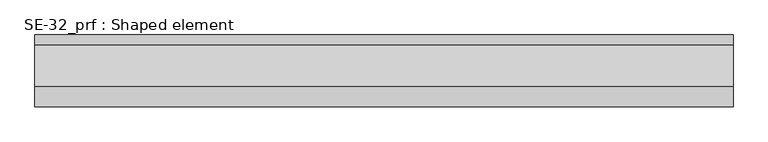
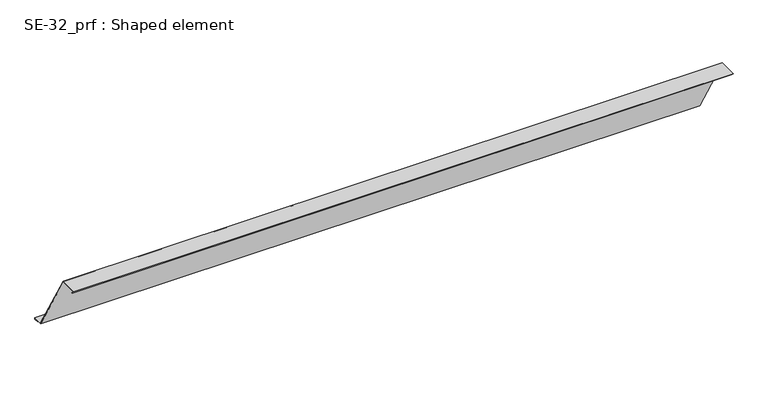
"""IFC4 building model written with IfcOpenShell, lengths in millimetres: proxy geometry, SE-32_prf : Shaped element."""

from ifc_helpers import new_model, si_unit, frame, origin, place, context, project, spatial, polyline, outline, extrude, source, transform, mapped, element, save


def se_32_prf_shaped_element_7ac7b4d5(model_context):
    return source(origin(), model_context, "Body", "SweptSolid", [
        extrude(outline(polyline([(103.715789, 2.0), (93.715789, 2.0), (93.715789, 3.0), (102.715789, 3.0), (102.715789, 4.0), (82.7668245, 4.0), (-0.9489646, 149.0), (-37.5857864, 149.0), (-32.2218254, 143.636039), (-32.9289322, 142.9289322), (-40.0, 150.0), (0.0, 150.0), (83.715789, 5.0), (103.715789, 5.0), (103.715789, 2.0)])), frame((0.0, 0.0, 0.0), z_axis=(1.0, 0.0, 0.0), x_axis=(0.0, 1.0, 0.0)), (0.0, 0.0, 1.0), 1400.0),
    ])


if __name__ == "__main__":
    model = new_model("IFC4")
    model_context = context("Model", 3, world=origin())
    ifc_project = project(units=[si_unit("LENGTHUNIT", "METRE", prefix="MILLI")], contexts=[model_context])
    site = spatial("IfcSite", under=ifc_project)
    building = spatial("IfcBuilding", under=site)
    placement = place(None, origin())
    se_32_prf_shaped_element_shape = se_32_prf_shaped_element_7ac7b4d5(model_context)
    element("IfcBuildingElementProxy", 1, Name="SE-32_prf : Shaped element", ObjectType="SE-32_prf : Shaped element", at=placement, inside=building, context=model_context, shape_type="MappedRepresentation", body=[
        mapped(se_32_prf_shaped_element_shape, transform((0.0, 0.0, 0.0), x_axis=(1.0, 0.0, 0.0), y_axis=(0.0, 1.0, 0.0), z_axis=(0.0, 0.0, 1.0))),
    ])
    save(model, "model.ifc")
